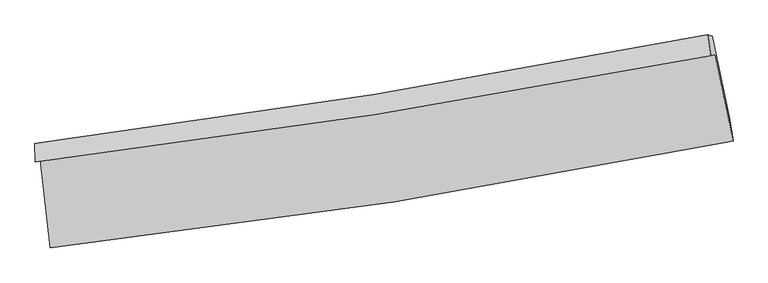
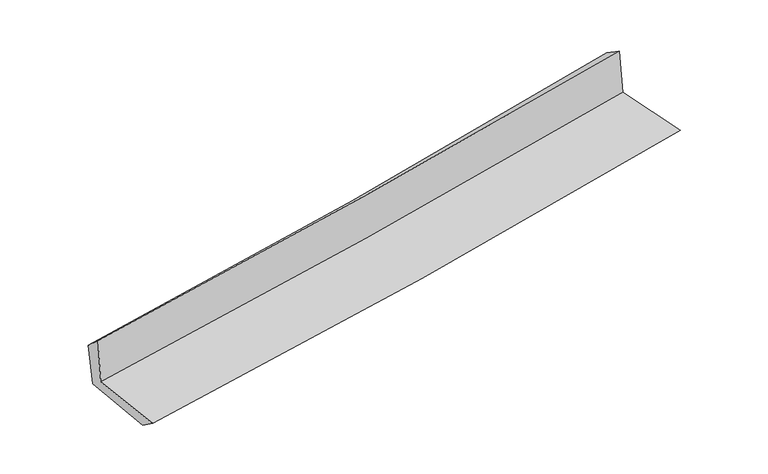
"""IFC4 building model written with IfcOpenShell, lengths in millimetres: proxy geometry."""

from ifc_helpers import new_model, si_unit, frame, origin, place, context, project, spatial, source, transform, mapped, element, save
from ifc_brep_helpers import plane_surface, spline_curve, spline_surface, advanced_brep


def generic_models_224c2370(model_context):
    return source(origin(), model_context, "Body", "AdvancedBrep", [
        advanced_brep(
        [(-2584.7384941, -1880.5403074, 1649.1291709), (-2507.6582943, -2549.9314912, 1636.1951394), (2660.1966929, -1738.3994262, 2095.6032221), (2525.5745418, -1082.9853182, 2103.0516584), (-2620.3250006, -1900.0405609, 2060.9385302), (2489.7534043, -1092.4352381, 2505.002637), (-2624.603468, -1759.7812733, 1934.2971966), (2467.0217725, -934.5102974, 2403.4545248), (-2589.6230646, -1768.8216012, 1564.3463477), (2503.7079996, -943.8158026, 2033.0963161), (-2514.3826516, -2407.949171, 1534.0738445), (2635.5167806, -1577.0787518, 2007.4110846)],
        [
            (0, 1),
            (1, 2, spline_curve(3, [(-2507.6582943, -2549.9314912, 1636.1951394), (-1637.787690525, -2452.181141836, 1721.749623634), (-770.27203174, -2335.288544229, 1802.963577255), (952.304322137, -2064.436660164, 1956.022238048), (1807.40699231, -1910.818569662, 2027.944312313), (2660.1966929, -1738.3994262, 2095.6032221)], [4, 2, 4], [0.0, 8.606513305335035, 17.13597955674744])),
            (2, 3),
            (3, 0, spline_curve(3, [(2525.5745418, -1082.9853182, 2103.0516584), (1681.9118432, -1247.598867613, 2036.424918942), (836.145331806, -1396.142307567, 1965.474282227), (-867.254167341, -1662.285606011, 1814.245255104), (-1724.925334684, -1779.593829198, 1733.888396091), (-2584.7384941, -1880.5403074, 1649.1291709)], [4, 2, 4], [0.0, 8.529466251412405, 17.13597955674744])),
            (4, 0),
            (3, 5),
            (5, 4, spline_curve(3, [(2489.7534043, -1092.4352381, 2505.002637), (1645.761180277, -1255.472944898, 2440.019569536), (799.848542702, -1404.054934379, 2370.708624394), (-903.476074351, -1673.519046291, 2222.765796596), (-1760.922905071, -1794.138831382, 2144.055372525), (-2620.3250006, -1900.0405609, 2060.9385302)], [4, 2, 4], [0.0, 8.480953531593888, 17.03851589952098])),
            (6, 4),
            (5, 7),
            (7, 6, spline_curve(3, [(2467.0217725, -934.5102974, 2403.4545248), (1627.163362928, -1099.967345604, 2326.448833297), (784.850892396, -1251.223374243, 2249.02720842), (-912.312985837, -1526.571415038, 2092.648980394), (-1767.208928467, -1650.405712033, 2013.684829556), (-2624.603468, -1759.7812733, 1934.2971966)], [4, 2, 4], [0.0, 8.470272279033857, 17.017056910164076])),
            (8, 6),
            (7, 9),
            (9, 8, spline_curve(3, [(2503.7079996, -943.8158026, 2033.0963161), (1662.896874156, -1108.920605361, 1962.610911026), (819.965027168, -1259.977819307, 1888.497729253), (-877.773508191, -1535.234683223, 1732.313575561), (-1732.618682557, -1659.17940238, 1650.176767647), (-2589.6230646, -1768.8216012, 1564.3463477)], [4, 2, 4], [0.0, 8.460830752910129, 16.99808857218467])),
            (10, 8),
            (9, 11),
            (11, 10, spline_curve(3, [(2635.5167806, -1577.0787518, 2007.4110846), (1784.383124772, -1744.466583924, 1942.531731641), (931.595070941, -1897.154778235, 1870.855336399), (-785.008049802, -2174.378349234, 1713.199606893), (-1648.853140033, -2298.646960984, 1627.096922211), (-2514.3826516, -2407.949171, 1534.0738445)], [4, 2, 4], [0.0, 8.508844822487749, 17.094550424599188])),
            (1, 10),
            (11, 2),
        ],
        [
            spline_surface(3, 3, [[(-2584.7384941, -1880.5403074, 1649.1291709), (-1724.925334666, -1779.593829099, 1733.888396145), (-867.254167413, -1662.285605983, 1814.245255112), (836.145331877, -1396.142307595, 1965.474282219), (1681.911843273, -1247.598867675, 2036.424919067), (2525.5745418, -1082.9853182, 2103.0516584)], [(-2559.045094161, -2103.670701994, 1644.817827072), (-1695.87945332, -2003.789600031, 1729.842138652), (-834.926788865, -1886.61991872, 1810.484695814), (874.86499533, -1618.907091812, 1962.323600894), (1723.743559668, -1468.672101669, 2033.598050129), (2570.448592169, -1301.456687537, 2100.56884632)], [(-2533.351694239, -2326.801096606, 1640.506483228), (-1666.833571992, -2227.98537098, 1725.795881143), (-802.599410353, -2110.954231433, 1806.724136436), (913.584658747, -1841.671876005, 1959.172919489), (1765.575276057, -1689.745335651, 2030.771181132), (2615.322642531, -1519.928056863, 2098.08603418)], [(-2507.6582943, -2549.9314912, 1636.1951394), (-1637.787690646, -2452.181141913, 1721.749623649), (-770.272031805, -2335.28854417, 1802.963577138), (952.304322201, -2064.436660222, 1956.022238164), (1807.406992451, -1910.818569644, 2027.944312193), (2660.1966929, -1738.3994262, 2095.6032221)]], [4, 4], [4, 2, 4], [0.0, 2.2281814726768037], [0.0, 8.606513305335035, 17.13597955674744]),
            spline_surface(3, 3, [[(-2620.3250006, -1900.0405609, 2060.9385302), (-1760.92290509, -1794.138831359, 2144.055372629), (-903.476074455, -1673.519046385, 2222.765796497), (799.848542804, -1404.054934285, 2370.708624492), (1645.761180416, -1255.472945004, 2440.019569505), (2489.7534043, -1092.4352381, 2505.002637)], [(-2608.462831761, -1893.540476396, 1923.668743765), (-1748.923714944, -1789.290497268, 2007.333047132), (-891.402105427, -1669.774566235, 2086.592282684), (811.947472509, -1401.417392039, 2235.630510383), (1657.81140134, -1252.848252547, 2305.48801934), (2501.693783438, -1089.285264786, 2371.018977448)], [(-2596.600662939, -1887.040391904, 1786.398957335), (-1736.924524813, -1784.44216319, 1870.610721642), (-879.328136441, -1666.030086133, 1950.418768925), (824.046402172, -1398.779849841, 2100.552396328), (1669.86162235, -1250.223560132, 2170.956469232), (2513.634162662, -1086.135291514, 2237.035317952)], [(-2584.7384941, -1880.5403074, 1649.1291709), (-1724.925334666, -1779.593829099, 1733.888396145), (-867.254167413, -1662.285605983, 1814.245255112), (836.145331877, -1396.142307595, 1965.474282219), (1681.911843273, -1247.598867675, 2036.424919067), (2525.5745418, -1082.9853182, 2103.0516584)]], [4, 4], [4, 2, 4], [0.0, 1.3406072352034495], [0.0, 8.557562367927092, 17.03851589952098]),
            spline_surface(3, 3, [[(-2624.603468, -1759.7812733, 1934.2971966), (-1767.208928549, -1650.405711992, 2013.684829469), (-912.312985696, -1526.571415116, 2092.648980496), (784.850892256, -1251.223374166, 2249.02720832), (1627.163362935, -1099.967345732, 2326.448833376), (2467.0217725, -934.5102974, 2403.4545248)], [(-2623.177312222, -1806.53436917, 1976.510974441), (-1765.113587418, -1698.316751784, 2057.141677163), (-909.367348613, -1575.553958891, 2136.021252517), (789.850109109, -1302.167227558, 2289.587680398), (1633.362635448, -1151.802545482, 2364.305745428), (2474.59898312, -987.151944293, 2437.303895542)], [(-2621.751156378, -1853.28746503, 2018.724752359), (-1763.018246221, -1746.227791566, 2100.598524934), (-906.421711539, -1624.53650261, 2179.393524476), (794.849325952, -1353.111080894, 2330.148152414), (1639.561907902, -1203.637745254, 2402.162657453), (2482.17619368, -1039.793591207, 2471.153266258)], [(-2620.3250006, -1900.0405609, 2060.9385302), (-1760.92290509, -1794.138831359, 2144.055372629), (-903.476074455, -1673.519046385, 2222.765796497), (799.848542804, -1404.054934285, 2370.708624492), (1645.761180416, -1255.472945004, 2440.019569505), (2489.7534043, -1092.4352381, 2505.002637)]], [4, 4], [4, 2, 4], [0.0, 0.643416098243674], [0.0, 8.546784631130219, 17.017056910164076]),
            spline_surface(3, 3, [[(-2589.6230646, -1768.8216012, 1564.3463477), (-1732.618682449, -1659.179402332, 1650.176767741), (-877.77350813, -1535.234683327, 1732.313575541), (819.965027107, -1259.977819204, 1888.497729273), (1662.896874136, -1108.920605383, 1962.610910912), (2503.7079996, -943.8158026, 2033.0963161)], [(-2601.283199043, -1765.808158561, 1687.663297356), (-1744.148764458, -1656.254838879, 1771.346121673), (-889.286667345, -1532.346927237, 1852.425377169), (808.260315464, -1257.059670838, 2008.674222264), (1650.985703718, -1105.936185519, 2083.8902184), (2491.479257216, -940.713967553, 2156.549052334)], [(-2612.943333557, -1762.794715939, 1810.980246944), (-1755.67884654, -1653.330275444, 1892.515475537), (-900.799826481, -1529.459171206, 1972.537178868), (796.555603899, -1254.141522532, 2128.850715328), (1639.074533353, -1102.951765596, 2205.169525888), (2479.250514884, -937.612132447, 2280.001788566)], [(-2624.603468, -1759.7812733, 1934.2971966), (-1767.208928549, -1650.405711992, 2013.684829469), (-912.312985696, -1526.571415116, 2092.648980496), (784.850892256, -1251.223374166, 2249.02720832), (1627.163362935, -1099.967345732, 2326.448833376), (2467.0217725, -934.5102974, 2403.4545248)]], [4, 4], [4, 2, 4], [0.0, 1.1883690454785303], [0.0, 8.537257819274542, 16.99808857218467]),
            spline_surface(3, 3, [[(-2514.3826516, -2407.949171, 1534.0738445), (-1648.853139975, -2298.646961057, 1627.096922209), (-785.008049727, -2174.378349131, 1713.199606916), (931.595070866, -1897.154778337, 1870.855336377), (1784.383124646, -1744.466583831, 1942.531731663), (2635.5167806, -1577.0787518, 2007.4110846)], [(-2539.462789269, -2194.906647756, 1544.164678899), (-1676.774987468, -2085.491108171, 1634.790204052), (-815.929869182, -1961.330460542, 1719.570929793), (894.385056292, -1684.762458638, 1876.736134012), (1743.887707813, -1532.617924334, 1949.224791405), (2591.580520271, -1365.991102053, 2015.972828426)], [(-2564.542926931, -1981.864124444, 1554.255513301), (-1704.696834955, -1872.335255217, 1642.483485898), (-846.851688674, -1748.282571916, 1725.942252664), (857.175041681, -1472.370138903, 1882.616931639), (1703.392290968, -1320.76926488, 1955.91785117), (2547.644259929, -1154.903452347, 2024.534572274)], [(-2589.6230646, -1768.8216012, 1564.3463477), (-1732.618682449, -1659.179402332, 1650.176767741), (-877.77350813, -1535.234683327, 1732.313575541), (819.965027107, -1259.977819204, 1888.497729273), (1662.896874136, -1108.920605383, 1962.610910912), (2503.7079996, -943.8158026, 2033.0963161)]], [4, 4], [4, 2, 4], [0.0, 2.1212219134362105], [0.0, 8.585705602111439, 17.094550424599188]),
            spline_surface(3, 3, [[(-2507.6582943, -2549.9314912, 1636.1951394), (-1637.787690646, -2452.181141913, 1721.749623649), (-770.272031805, -2335.28854417, 1802.963577138), (952.304322201, -2064.436660222, 1956.022238164), (1807.406992451, -1910.818569644, 2027.944312193), (2660.1966929, -1738.3994262, 2095.6032221)], [(-2509.899746745, -2502.604051122, 1602.154707767), (-1641.476173767, -2401.003081616, 1690.19872317), (-775.184037794, -2281.651812487, 1773.042253723), (945.401238407, -2008.676032925, 1927.633270894), (1799.732369869, -1855.367907718, 1999.473452014), (2651.970055487, -1684.625868079, 2066.20584293)], [(-2512.141199155, -2455.276611078, 1568.114276133), (-1645.164656854, -2349.825021353, 1658.647822688), (-780.096043738, -2228.015080813, 1743.120930331), (938.498154659, -1952.915405635, 1899.244303648), (1792.057747228, -1799.917245757, 1971.002591842), (2643.743418013, -1630.852309921, 2036.80846377)], [(-2514.3826516, -2407.949171, 1534.0738445), (-1648.853139975, -2298.646961057, 1627.096922209), (-785.008049727, -2174.378349131, 1713.199606916), (931.595070866, -1897.154778337, 1870.855336377), (1784.383124646, -1744.466583831, 1942.531731663), (2635.5167806, -1577.0787518, 2007.4110846)]], [4, 4], [4, 2, 4], [0.0, 0.6127798407967892], [0.0, 8.644185077284329, 17.210985856172943]),
            plane_surface(frame((2546.9618653, -1228.204139, 2191.2699072), z_axis=(0.9756337918835509, 0.1993539528334104, 0.0916335398455089), x_axis=(-0.09854284106881027, 0.02499550881284687, 0.9948188443195445))),
            plane_surface(frame((-2573.5551622, -2044.5107342, 1729.8300382), z_axis=(-0.9895276250074687, -0.11218893849806777, -0.0908224720306335), x_axis=(-0.11437273757786957, 0.9932525133580551, 0.01919170672062036))),
        ],
        [
            (0, [[1, 2, 3, 4]]),
            (1, [[5, -4, 6, 7]]),
            (2, [[8, -7, 9, 10]]),
            (3, [[11, -10, 12, 13]]),
            (4, [[14, -13, 15, 16]]),
            (5, [[17, -16, 18, -2]]),
            (6, [[-12, -9, -6, -3, -18, -15]]),
            (7, [[-1, -5, -8, -11, -14, -17]]),
        ],
    ),
    ])


if __name__ == "__main__":
    model = new_model("IFC4")
    model_context = context("Model", 3, world=origin())
    ifc_project = project(units=[si_unit("LENGTHUNIT", "METRE", prefix="MILLI")], contexts=[model_context])
    site = spatial("IfcSite", under=ifc_project)
    building = spatial("IfcBuilding", under=site)
    placement = place(None, origin())
    generic_models_shape = generic_models_224c2370(model_context)
    element("IfcBuildingElementProxy", 1, Name="Generic Models", at=placement, inside=building, context=model_context, shape_type="MappedRepresentation", body=[
        mapped(generic_models_shape, transform((0.0, 0.0, 0.0), x_axis=(1.0, 0.0, 0.0), y_axis=(0.0, 1.0, 0.0), z_axis=(0.0, 0.0, 1.0))),
    ])
    save(model, "model.ifc")
